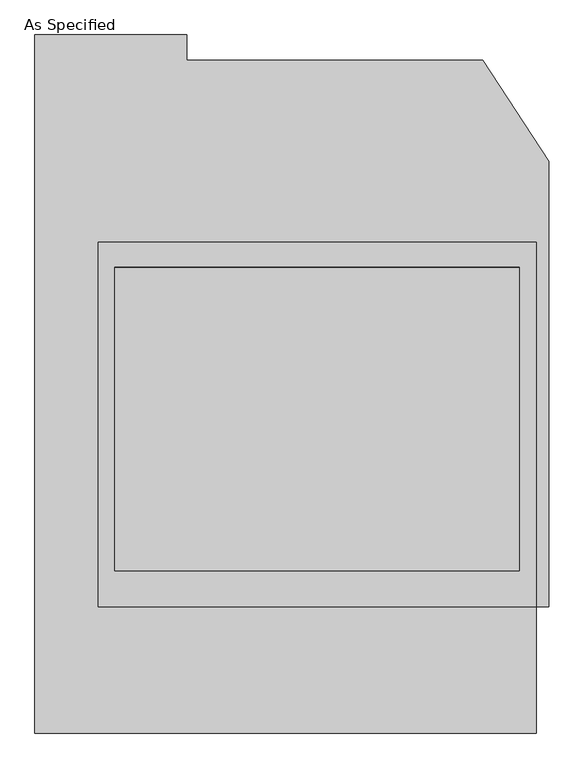
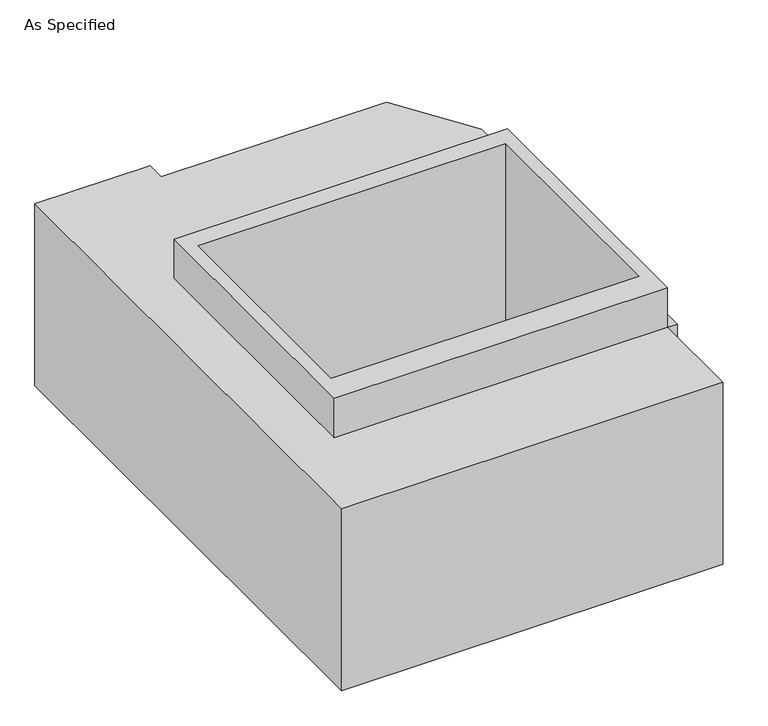
"""IFC4 building model written with IfcOpenShell, lengths in millimetres: proxy geometry, As Specified."""

import ifcopenshell
import ifcopenshell.guid

model = None  # the IFC model being written
_history = None  # IfcOwnerHistory: only IFC2X3 demands one
_inside = {}  # id of a spatial element -> (the spatial element, [elements in it])
_under = {}  # id of a project, library or spatial element -> (it, [spatial elements below it])
_declared = {}  # id of a project -> (the project, [libraries it declares])
_typed = {}  # id of a type object -> (the type object, [elements of that type])
_made_of = {}  # id of a material, layer set ... -> (it, [elements and type objects made of it])


def new_model(schema):
    """Start an empty IFC model of exactly this schema.

    Asked for "IFC4X3", IfcOpenShell would pick the latest addendum, in which some entities
    have other attributes; the version numbers below select the first issue.
    IFC2X3 requires an IfcOwnerHistory on every rooted entity: one is made here for all.
    """
    global model, _history
    if schema == "IFC4X3":
        model = ifcopenshell.file(schema_version=(4, 3, 0, 0))
    else:
        model = ifcopenshell.file(schema=schema)
    _inside.clear()
    _under.clear()
    _declared.clear()
    _typed.clear()
    _made_of.clear()
    _history = None
    if model.schema == "IFC2X3":
        org = make("IfcOrganization", Name="unknown")
        user = make(
            "IfcPersonAndOrganization",
            ThePerson=make("IfcPerson", FamilyName="unknown"),
            TheOrganization=org,
        )
        app = make(
            "IfcApplication",
            ApplicationDeveloper=org,
            Version="unknown",
            ApplicationFullName="unknown",
            ApplicationIdentifier="unknown",
        )
        _history = make(
            "IfcOwnerHistory",
            OwningUser=user,
            OwningApplication=app,
            ChangeAction="ADDED",
            CreationDate=0,
        )
    return model


def make(cls, **values):
    """One entity of the class cls with the attributes given. An attribute that is None is left unset."""
    return model.create_entity(
        cls, **{name: value for name, value in values.items() if value is not None}
    )


def rooted(cls, **values):
    """An entity with a GlobalId (a new one), such as an element, a storey or a relation."""
    return make(cls, GlobalId=ifcopenshell.guid.new(), OwnerHistory=_history, **values)


def si_unit(unit_type, name, prefix=None):
    """IfcSIUnit, for example si_unit("LENGTHUNIT", "METRE", prefix="MILLI")."""
    return make("IfcSIUnit", UnitType=unit_type, Prefix=prefix, Name=name)


def assignment(units):
    """IfcUnitAssignment: the units of a project."""
    return None if units is None else make("IfcUnitAssignment", Units=units)


def point(xyz):
    """IfcCartesianPoint."""
    return None if xyz is None else make("IfcCartesianPoint", Coordinates=xyz)


def direction(xyz):
    """IfcDirection."""
    return None if xyz is None else make("IfcDirection", DirectionRatios=xyz)


def frame(location, z_axis=None, x_axis=None):
    """IfcAxis2Placement3D, a coordinate frame: its origin and axes. An axis left out is left unset."""
    return make(
        "IfcAxis2Placement3D",
        Location=point(location),
        Axis=direction(z_axis),
        RefDirection=direction(x_axis),
    )


def origin():
    """The frame at (0, 0, 0) with its axes left unset."""
    return frame((0.0, 0.0, 0.0))


def place(relative_to, where):
    """IfcLocalPlacement: puts the frame where relative to a parent placement (None: the world)."""
    return make(
        "IfcLocalPlacement", PlacementRelTo=relative_to, RelativePlacement=where
    )


def context(
    kind, dimensions, precision=None, world=None, true_north=None, identifier=None
):
    """IfcGeometricRepresentationContext, for example the 3D "Model" context."""
    return make(
        "IfcGeometricRepresentationContext",
        ContextIdentifier=identifier,
        ContextType=kind,
        CoordinateSpaceDimension=dimensions,
        Precision=precision,
        WorldCoordinateSystem=world,
        TrueNorth=true_north,
    )


def project(units=None, contexts=None):
    """IfcProject with its units and contexts."""
    return rooted(
        "IfcProject",
        Name="project",
        RepresentationContexts=contexts,
        UnitsInContext=assignment(units),
    )


def spatial(cls, under=None, at=None, **own):
    """A site, building, storey or space (cls), placed at a placement, below another one or the project."""
    s = rooted(cls, ObjectPlacement=at, **own)
    if under is not None:
        _under.setdefault(under.id(), (under, []))[1].append(s)
    return s


def polyline(points):
    """IfcPolyline through the points."""
    return make("IfcPolyline", Points=[point(p) for p in points])


def outline(outer, holes=None, kind="AREA"):
    """IfcArbitraryClosedProfileDef: a profile drawn as a closed curve; with holes, ...WithVoids."""
    if holes is None:
        return make("IfcArbitraryClosedProfileDef", ProfileType=kind, OuterCurve=outer)
    return make(
        "IfcArbitraryProfileDefWithVoids",
        ProfileType=kind,
        OuterCurve=outer,
        InnerCurves=holes,
    )


def extrude(swept, where, along, depth):
    """IfcExtrudedAreaSolid: the profile swept, set in the frame where, extruded along a direction by depth."""
    return make(
        "IfcExtrudedAreaSolid",
        SweptArea=swept,
        Position=where,
        ExtrudedDirection=direction(along),
        Depth=depth,
    )


def faces_of(points, faces, orient=None, outer=None):
    """IfcFace entities. A face is a list of loops; a loop is a list of indices into points, from 0.

    orient and outer hold one flag for each loop. By default every Orientation is true, the
    first loop of a face is its IfcFaceOuterBound and the others are IfcFaceBound.
    """
    made = []
    for i, loops in enumerate(faces):
        bounds = []
        for j, loop in enumerate(loops):
            is_outer = j == 0 if outer is None else outer[i][j]
            bounds.append(
                make(
                    "IfcFaceOuterBound" if is_outer else "IfcFaceBound",
                    Bound=make("IfcPolyLoop", Polygon=[points[k] for k in loop]),
                    Orientation=True if orient is None else orient[i][j],
                )
            )
        made.append(make("IfcFace", Bounds=bounds))
    return made


def faceted_brep(points, faces, orient=None, outer=None, voids=None):
    """IfcFacetedBrep: a solid bounded by flat faces; with voids (closed shells), ...WithVoids."""
    shared = [point(p) for p in points]
    hull = make("IfcClosedShell", CfsFaces=faces_of(shared, faces, orient, outer))
    if voids is None:
        return make("IfcFacetedBrep", Outer=hull)
    return make(
        "IfcFacetedBrepWithVoids",
        Outer=hull,
        Voids=[
            make(cls, CfsFaces=faces_of(shared, fs, o, b)) for cls, fs, o, b in voids
        ],
    )


def shape(context_of_items, identifier, shape_type, items):
    """IfcShapeRepresentation: the items that make up one representation, for example the "Body"."""
    return make(
        "IfcShapeRepresentation",
        ContextOfItems=context_of_items,
        RepresentationIdentifier=identifier,
        RepresentationType=shape_type,
        Items=items,
    )


def source(mapping_origin, context_of_items, identifier, shape_type, items):
    """IfcRepresentationMap: a shape defined once, which mapped items show again and again."""
    return make(
        "IfcRepresentationMap",
        MappingOrigin=mapping_origin,
        MappedRepresentation=shape(context_of_items, identifier, shape_type, items),
    )


def transform(
    local_origin,
    x_axis=None,
    y_axis=None,
    z_axis=None,
    scale=None,
    scale2=None,
    scale3=None,
    uniform=True,
):
    """IfcCartesianTransformationOperator3D, or its non-uniform kind. x_axis, y_axis, z_axis: its Axis1, 2, 3."""
    if uniform:
        return make(
            "IfcCartesianTransformationOperator3D",
            Axis1=direction(x_axis),
            Axis2=direction(y_axis),
            LocalOrigin=point(local_origin),
            Scale=scale,
            Axis3=direction(z_axis),
        )
    return make(
        "IfcCartesianTransformationOperator3DnonUniform",
        Axis1=direction(x_axis),
        Axis2=direction(y_axis),
        LocalOrigin=point(local_origin),
        Scale=scale,
        Axis3=direction(z_axis),
        Scale2=scale2,
        Scale3=scale3,
    )


def mapped(mapping_source, mapping_target):
    """IfcMappedItem: shows the shape of a source again, moved by a transform."""
    return make(
        "IfcMappedItem", MappingSource=mapping_source, MappingTarget=mapping_target
    )


def made_of(thing, what):
    """Note that an element or type object is made of a material, layer set ...; save() writes the relation."""
    if what is not None:
        _made_of.setdefault(what.id(), (what, []))[1].append(thing)
    return thing


def element(
    cls,
    number,
    at=None,
    inside=None,
    cuts=None,
    type_object=None,
    material=None,
    context=None,
    identifier="Body",
    shape_type=None,
    held_by="IfcProductDefinitionShape",
    body=None,
    shapes=None,
    **own,
):
    """One element of the class cls, such as IfcWall. Its Tag is "e" and its number.

    at: its placement. inside: the storey or other place that contains it. cuts: it is an
    opening in that element (IfcRelVoidsElement). A single representation is given by context,
    identifier, shape_type and body (its items); several are given by shapes. held_by: the class
    of the entity that holds the representations. save() writes the other relations.
    """
    e = rooted(cls, Tag="e%d" % number, ObjectPlacement=at, **own)
    if body is not None:
        shapes = [shape(context, identifier, shape_type, body)]
    if shapes is not None:
        e.Representation = make(held_by, Representations=shapes)
    if inside is not None:
        _inside.setdefault(inside.id(), (inside, []))[1].append(e)
    if cuts is not None:
        rooted(
            "IfcRelVoidsElement", RelatingBuildingElement=cuts, RelatedOpeningElement=e
        )
    if type_object is not None:
        _typed.setdefault(type_object.id(), (type_object, []))[1].append(e)
    return made_of(e, material)


def aggregate(whole, parts):
    """IfcRelAggregates: a whole, such as a stair, and the parts it consists of."""
    return rooted("IfcRelAggregates", RelatingObject=whole, RelatedObjects=parts)


def save(model, path):
    """Write the relations noted so far, then the file.

    IfcRelAggregates (storeys below a building ...), IfcRelContainedInSpatialStructure (elements
    in a storey), IfcRelDefinesByType, IfcRelAssociatesMaterial and IfcRelDeclares: one each for
    every whole, place, type object, material and project.
    """
    for whole, parts in _under.values():
        aggregate(whole, parts)
    for where, things in _inside.values():
        rooted(
            "IfcRelContainedInSpatialStructure",
            RelatedElements=things,
            RelatingStructure=where,
        )
    for kind, things in _typed.values():
        rooted("IfcRelDefinesByType", RelatedObjects=things, RelatingType=kind)
    for what, things in _made_of.values():
        rooted("IfcRelAssociatesMaterial", RelatedObjects=things, RelatingMaterial=what)
    for by, libraries in _declared.values():
        rooted("IfcRelDeclares", RelatingContext=by, RelatedDefinitions=libraries)
    model.write(path)


def as_specified_e0f80847(model_context):
    return source(origin(), model_context, "Body", "SolidModel", [
        extrude(outline(polyline([(660.4, 465.4351562), (660.4, -633.1148438), (-660.4, -633.1148438), (-660.4, 465.4351562), (660.4, 465.4351562)]), holes=[polyline([(-609.6, 389.2748437), (-609.6, -525.1251563), (609.6, -525.1251563), (609.6, 389.2748437), (-609.6, 389.2748437)])]), frame((0.0, 0.0, -762.0), z_axis=(0.0, 0.0, 1.0), x_axis=(1.0, 0.0, 0.0)), (0.0, 0.0, 1.0), 901.7),
        faceted_brep([(660.4, -633.1148438, -787.4), (660.4, -1014.1148438, -787.4), (-850.9, -1014.1148438, -787.4), (-850.9, 1090.2751562, -787.4), (-393.7, 1090.2751562, -787.4), (-393.7, 1014.1148437, -787.4), (499.060123, 1014.1148437, -787.4), (698.5, 709.6233299, -787.4), (698.5, -633.1148438, -787.4), (660.4, -1014.1148438, -25.4), (660.4, -633.1148438, -25.4), (698.5, -633.1148438, -25.4), (698.5, 709.6233299, -25.4), (499.060123, 1014.1148437, -25.4), (-393.7, 1014.1148437, -25.4), (-393.7, 1090.2751562, -25.4), (-850.9, 1090.2751562, -25.4), (-850.9, -1014.1148438, -25.4), (609.6, 389.2748437, -25.4), (609.6, -525.1251563, -25.4), (-609.6, -525.1251563, -25.4), (-609.6, 389.2748437, -25.4), (609.6, 389.2748437, -762.0), (-609.6, 389.2748437, -762.0), (-609.6, -525.1251563, -762.0), (609.6, -525.1251563, -762.0)], [[[0, 1, 2, 3, 4, 5, 6, 7, 8]], [[9, 10, 11, 12, 13, 14, 15, 16, 17], [18, 19, 20, 21]], [[13, 6, 5, 14]], [[8, 11, 10, 0]], [[11, 8, 7, 12]], [[1, 0, 10, 9]], [[1, 9, 17, 2]], [[7, 6, 13, 12]], [[22, 23, 24, 25]], [[22, 25, 19, 18]], [[25, 24, 20, 19]], [[24, 23, 21, 20]], [[23, 22, 18, 21]], [[3, 2, 17, 16]], [[5, 4, 15, 14]], [[4, 3, 16, 15]]]),
    ])


if __name__ == "__main__":
    model = new_model("IFC4")
    model_context = context("Model", 3, world=origin())
    ifc_project = project(units=[si_unit("LENGTHUNIT", "METRE", prefix="MILLI")], contexts=[model_context])
    site = spatial("IfcSite", under=ifc_project)
    building = spatial("IfcBuilding", under=site)
    placement = place(None, origin())
    as_specified_shape = as_specified_e0f80847(model_context)
    element("IfcBuildingElementProxy", 1, Name="As Specified", ObjectType="As Specified", at=placement, inside=building, context=model_context, shape_type="MappedRepresentation", body=[
        mapped(as_specified_shape, transform((0.0, 0.0, 0.0), x_axis=(1.0, 0.0, 0.0), y_axis=(0.0, 1.0, 0.0), z_axis=(0.0, 0.0, 1.0))),
    ])
    save(model, "model.ifc")
